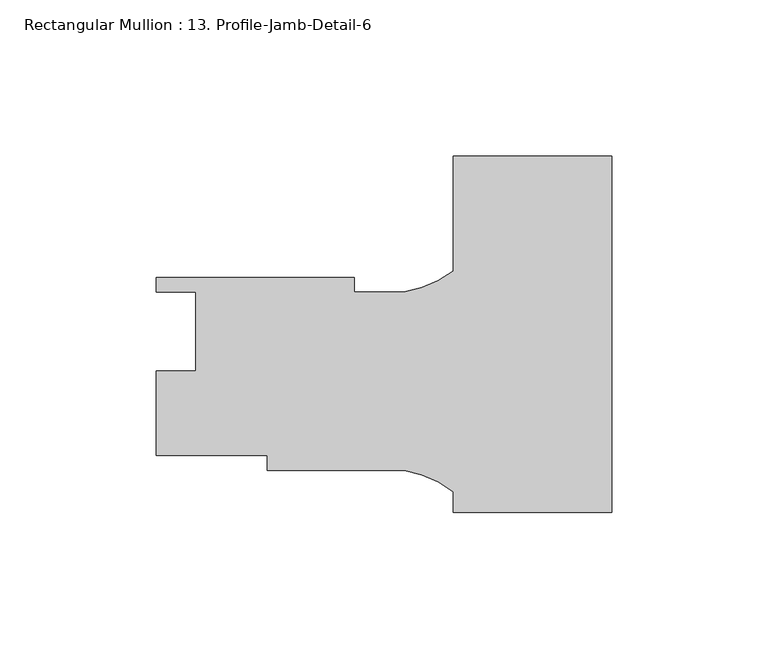
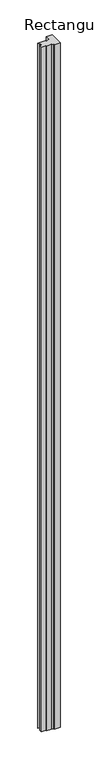
"""IFC4 building model written with IfcOpenShell, lengths in millimetres: member geometry, Rectangular Mullion : 13. Profile-Jamb-Detail-6."""

from ifc_helpers import new_model, si_unit, point, frame, frame_2d, origin, place, context, project, spatial, polyline, circle_curve, trimmed, segment, composite_curve, outline, extrude, source, transform, mapped, element, save


def rectangular_mullion_13_profile_jamb_detail_6_e02cfead(model_context):
    return source(origin(), model_context, "Body", "SweptSolid", [
        extrude(outline(composite_curve([segment(polyline([(0.0, -57.9429213), (-50.7982055, -57.9429213), (-50.7982055, -51.3172392)]), True, "CONTINUOUS"), segment(trimmed(circle_curve(frame_2d((-72.9825062, -80.8612763)), 36.945816), [point((-50.7982055, -51.3172392))], [point((-66.6154916, -44.4682213))], True, "CARTESIAN"), True, "CONTINUOUS"), segment(polyline([(-66.6154916, -44.4682213), (-110.394266, -44.4682213), (-110.394266, -39.7057213), (-146.0482055, -39.7057213), (-146.0482055, -12.6547213), (-133.3482055, -12.6547213), (-133.3482055, 12.7452787), (-146.0482055, 12.7452787), (-146.0482055, 17.4442787), (-82.5482055, 17.4442787), (-82.5482055, 12.6817787), (-66.6169422, 12.6817787)]), True, "CONTINUOUS"), segment(trimmed(circle_curve(frame_2d((-72.9825062, 49.0750874)), 36.945816), [point((-66.6169422, 12.6817787))], [point((-50.7982055, 19.5310503))], True, "CARTESIAN"), True, "CONTINUOUS"), segment(polyline([(-50.7982055, 19.5310503), (-50.7982055, 56.3570787), (0.0, 56.3570787), (0.0, -57.9429213)]), True, "CONTINUOUS")], self_intersect=False)), frame((0.0, 0.0, -6096.0), z_axis=(0.0, 0.0, 1.0), x_axis=(1.0, 0.0, 0.0)), (0.0, 0.0, 1.0), 6096.0),
    ])


if __name__ == "__main__":
    model = new_model("IFC4")
    model_context = context("Model", 3, world=origin())
    ifc_project = project(units=[si_unit("LENGTHUNIT", "METRE", prefix="MILLI")], contexts=[model_context])
    site = spatial("IfcSite", under=ifc_project)
    building = spatial("IfcBuilding", under=site)
    placement = place(None, origin())
    rectangular_mullion_13_profile_jamb_detail_6_shape = rectangular_mullion_13_profile_jamb_detail_6_e02cfead(model_context)
    element("IfcMember", 1, ObjectType="Rectangular Mullion : 13. Profile-Jamb-Detail-6", at=placement, inside=building, context=model_context, shape_type="MappedRepresentation", body=[
        mapped(rectangular_mullion_13_profile_jamb_detail_6_shape, transform((0.0, 0.0, 0.0), x_axis=(1.0, 0.0, 0.0), y_axis=(0.0, 1.0, 0.0), z_axis=(0.0, 0.0, 1.0))),
    ])
    save(model, "model.ifc")
